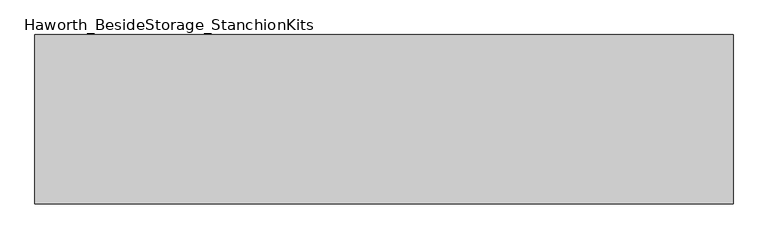
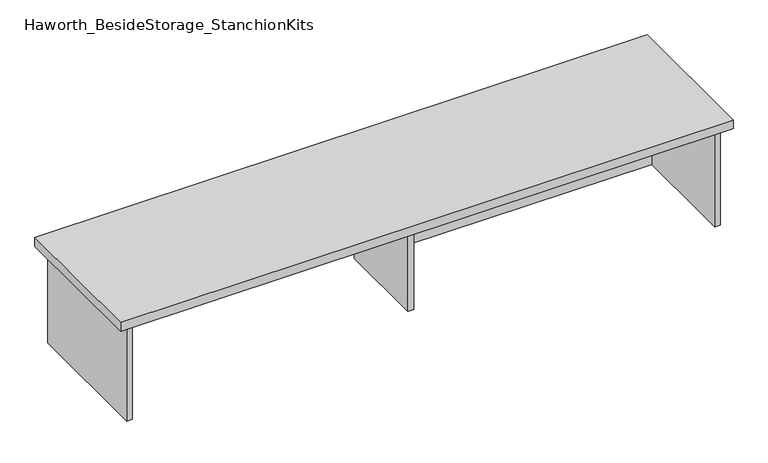
"""IFC4 building model written with IfcOpenShell, lengths in millimetres: furniture geometry, Haworth_BesideStorage_StanchionKits."""

import ifcopenshell
import ifcopenshell.guid

model = None  # the IFC model being written
_history = None  # IfcOwnerHistory: only IFC2X3 demands one
_inside = {}  # id of a spatial element -> (the spatial element, [elements in it])
_under = {}  # id of a project, library or spatial element -> (it, [spatial elements below it])
_declared = {}  # id of a project -> (the project, [libraries it declares])
_typed = {}  # id of a type object -> (the type object, [elements of that type])
_made_of = {}  # id of a material, layer set ... -> (it, [elements and type objects made of it])


def new_model(schema):
    """Start an empty IFC model of exactly this schema.

    Asked for "IFC4X3", IfcOpenShell would pick the latest addendum, in which some entities
    have other attributes; the version numbers below select the first issue.
    IFC2X3 requires an IfcOwnerHistory on every rooted entity: one is made here for all.
    """
    global model, _history
    if schema == "IFC4X3":
        model = ifcopenshell.file(schema_version=(4, 3, 0, 0))
    else:
        model = ifcopenshell.file(schema=schema)
    _inside.clear()
    _under.clear()
    _declared.clear()
    _typed.clear()
    _made_of.clear()
    _history = None
    if model.schema == "IFC2X3":
        org = make("IfcOrganization", Name="unknown")
        user = make(
            "IfcPersonAndOrganization",
            ThePerson=make("IfcPerson", FamilyName="unknown"),
            TheOrganization=org,
        )
        app = make(
            "IfcApplication",
            ApplicationDeveloper=org,
            Version="unknown",
            ApplicationFullName="unknown",
            ApplicationIdentifier="unknown",
        )
        _history = make(
            "IfcOwnerHistory",
            OwningUser=user,
            OwningApplication=app,
            ChangeAction="ADDED",
            CreationDate=0,
        )
    return model


def make(cls, **values):
    """One entity of the class cls with the attributes given. An attribute that is None is left unset."""
    return model.create_entity(
        cls, **{name: value for name, value in values.items() if value is not None}
    )


def rooted(cls, **values):
    """An entity with a GlobalId (a new one), such as an element, a storey or a relation."""
    return make(cls, GlobalId=ifcopenshell.guid.new(), OwnerHistory=_history, **values)


def si_unit(unit_type, name, prefix=None):
    """IfcSIUnit, for example si_unit("LENGTHUNIT", "METRE", prefix="MILLI")."""
    return make("IfcSIUnit", UnitType=unit_type, Prefix=prefix, Name=name)


def assignment(units):
    """IfcUnitAssignment: the units of a project."""
    return None if units is None else make("IfcUnitAssignment", Units=units)


def point(xyz):
    """IfcCartesianPoint."""
    return None if xyz is None else make("IfcCartesianPoint", Coordinates=xyz)


def direction(xyz):
    """IfcDirection."""
    return None if xyz is None else make("IfcDirection", DirectionRatios=xyz)


def frame(location, z_axis=None, x_axis=None):
    """IfcAxis2Placement3D, a coordinate frame: its origin and axes. An axis left out is left unset."""
    return make(
        "IfcAxis2Placement3D",
        Location=point(location),
        Axis=direction(z_axis),
        RefDirection=direction(x_axis),
    )


def origin():
    """The frame at (0, 0, 0) with its axes left unset."""
    return frame((0.0, 0.0, 0.0))


def place(relative_to, where):
    """IfcLocalPlacement: puts the frame where relative to a parent placement (None: the world)."""
    return make(
        "IfcLocalPlacement", PlacementRelTo=relative_to, RelativePlacement=where
    )


def context(
    kind, dimensions, precision=None, world=None, true_north=None, identifier=None
):
    """IfcGeometricRepresentationContext, for example the 3D "Model" context."""
    return make(
        "IfcGeometricRepresentationContext",
        ContextIdentifier=identifier,
        ContextType=kind,
        CoordinateSpaceDimension=dimensions,
        Precision=precision,
        WorldCoordinateSystem=world,
        TrueNorth=true_north,
    )


def project(units=None, contexts=None):
    """IfcProject with its units and contexts."""
    return rooted(
        "IfcProject",
        Name="project",
        RepresentationContexts=contexts,
        UnitsInContext=assignment(units),
    )


def spatial(cls, under=None, at=None, **own):
    """A site, building, storey or space (cls), placed at a placement, below another one or the project."""
    s = rooted(cls, ObjectPlacement=at, **own)
    if under is not None:
        _under.setdefault(under.id(), (under, []))[1].append(s)
    return s


def polyline(points):
    """IfcPolyline through the points."""
    return make("IfcPolyline", Points=[point(p) for p in points])


def outline(outer, holes=None, kind="AREA"):
    """IfcArbitraryClosedProfileDef: a profile drawn as a closed curve; with holes, ...WithVoids."""
    if holes is None:
        return make("IfcArbitraryClosedProfileDef", ProfileType=kind, OuterCurve=outer)
    return make(
        "IfcArbitraryProfileDefWithVoids",
        ProfileType=kind,
        OuterCurve=outer,
        InnerCurves=holes,
    )


def extrude(swept, where, along, depth):
    """IfcExtrudedAreaSolid: the profile swept, set in the frame where, extruded along a direction by depth."""
    return make(
        "IfcExtrudedAreaSolid",
        SweptArea=swept,
        Position=where,
        ExtrudedDirection=direction(along),
        Depth=depth,
    )


def shape(context_of_items, identifier, shape_type, items):
    """IfcShapeRepresentation: the items that make up one representation, for example the "Body"."""
    return make(
        "IfcShapeRepresentation",
        ContextOfItems=context_of_items,
        RepresentationIdentifier=identifier,
        RepresentationType=shape_type,
        Items=items,
    )


def source(mapping_origin, context_of_items, identifier, shape_type, items):
    """IfcRepresentationMap: a shape defined once, which mapped items show again and again."""
    return make(
        "IfcRepresentationMap",
        MappingOrigin=mapping_origin,
        MappedRepresentation=shape(context_of_items, identifier, shape_type, items),
    )


def transform(
    local_origin,
    x_axis=None,
    y_axis=None,
    z_axis=None,
    scale=None,
    scale2=None,
    scale3=None,
    uniform=True,
):
    """IfcCartesianTransformationOperator3D, or its non-uniform kind. x_axis, y_axis, z_axis: its Axis1, 2, 3."""
    if uniform:
        return make(
            "IfcCartesianTransformationOperator3D",
            Axis1=direction(x_axis),
            Axis2=direction(y_axis),
            LocalOrigin=point(local_origin),
            Scale=scale,
            Axis3=direction(z_axis),
        )
    return make(
        "IfcCartesianTransformationOperator3DnonUniform",
        Axis1=direction(x_axis),
        Axis2=direction(y_axis),
        LocalOrigin=point(local_origin),
        Scale=scale,
        Axis3=direction(z_axis),
        Scale2=scale2,
        Scale3=scale3,
    )


def mapped(mapping_source, mapping_target):
    """IfcMappedItem: shows the shape of a source again, moved by a transform."""
    return make(
        "IfcMappedItem", MappingSource=mapping_source, MappingTarget=mapping_target
    )


def made_of(thing, what):
    """Note that an element or type object is made of a material, layer set ...; save() writes the relation."""
    if what is not None:
        _made_of.setdefault(what.id(), (what, []))[1].append(thing)
    return thing


def element(
    cls,
    number,
    at=None,
    inside=None,
    cuts=None,
    type_object=None,
    material=None,
    context=None,
    identifier="Body",
    shape_type=None,
    held_by="IfcProductDefinitionShape",
    body=None,
    shapes=None,
    **own,
):
    """One element of the class cls, such as IfcWall. Its Tag is "e" and its number.

    at: its placement. inside: the storey or other place that contains it. cuts: it is an
    opening in that element (IfcRelVoidsElement). A single representation is given by context,
    identifier, shape_type and body (its items); several are given by shapes. held_by: the class
    of the entity that holds the representations. save() writes the other relations.
    """
    e = rooted(cls, Tag="e%d" % number, ObjectPlacement=at, **own)
    if body is not None:
        shapes = [shape(context, identifier, shape_type, body)]
    if shapes is not None:
        e.Representation = make(held_by, Representations=shapes)
    if inside is not None:
        _inside.setdefault(inside.id(), (inside, []))[1].append(e)
    if cuts is not None:
        rooted(
            "IfcRelVoidsElement", RelatingBuildingElement=cuts, RelatedOpeningElement=e
        )
    if type_object is not None:
        _typed.setdefault(type_object.id(), (type_object, []))[1].append(e)
    return made_of(e, material)


def aggregate(whole, parts):
    """IfcRelAggregates: a whole, such as a stair, and the parts it consists of."""
    return rooted("IfcRelAggregates", RelatingObject=whole, RelatedObjects=parts)


def save(model, path):
    """Write the relations noted so far, then the file.

    IfcRelAggregates (storeys below a building ...), IfcRelContainedInSpatialStructure (elements
    in a storey), IfcRelDefinesByType, IfcRelAssociatesMaterial and IfcRelDeclares: one each for
    every whole, place, type object, material and project.
    """
    for whole, parts in _under.values():
        aggregate(whole, parts)
    for where, things in _inside.values():
        rooted(
            "IfcRelContainedInSpatialStructure",
            RelatedElements=things,
            RelatingStructure=where,
        )
    for kind, things in _typed.values():
        rooted("IfcRelDefinesByType", RelatedObjects=things, RelatingType=kind)
    for what, things in _made_of.values():
        rooted("IfcRelAssociatesMaterial", RelatedObjects=things, RelatingMaterial=what)
    for by, libraries in _declared.values():
        rooted("IfcRelDeclares", RelatingContext=by, RelatedDefinitions=libraries)
    model.write(path)


def haworth_besidestorage_stanchionkits_d93eb028(model_context):
    return source(origin(), model_context, "Body", "SweptSolid", [
        extrude(outline(polyline([(1000.125, 0.0), (1000.125, -406.4), (-676.275, -406.4), (-676.275, 0.0), (1000.125, 0.0)])), frame((0.0, 0.0, 711.2), z_axis=(0.0, 0.0, 1.0), x_axis=(1.0, 0.0, 0.0)), (0.0, 0.0, 1.0), 25.4),
        extrude(outline(polyline([(169.8625, -76.2), (958.85, -76.2), (958.85, -92.075), (169.8625, -92.075), (169.8625, -76.2)])), frame((0.0, 0.0, 431.8), z_axis=(0.0, 0.0, 1.0), x_axis=(1.0, 0.0, 0.0)), (0.0, 0.0, 1.0), 279.4),
        extrude(outline(polyline([(169.8625, -330.2), (153.9875, -330.2), (153.9875, -76.2), (169.8625, -76.2), (169.8625, -330.2)])), frame((0.0, 0.0, 431.8), z_axis=(0.0, 0.0, 1.0), x_axis=(1.0, 0.0, 0.0)), (0.0, 0.0, 1.0), 279.4),
        extrude(outline(polyline([(974.725, -390.525), (958.85, -390.525), (958.85, -15.875), (974.725, -15.875), (974.725, -390.525)])), frame((0.0, 0.0, 431.8), z_axis=(0.0, 0.0, 1.0), x_axis=(1.0, 0.0, 0.0)), (0.0, 0.0, 1.0), 279.4),
        extrude(outline(polyline([(-635.0, -390.525), (-650.875, -390.525), (-650.875, -15.875), (-635.0, -15.875), (-635.0, -390.525)])), frame((0.0, 0.0, 431.8), z_axis=(0.0, 0.0, 1.0), x_axis=(1.0, 0.0, 0.0)), (0.0, 0.0, 1.0), 279.4),
    ])


if __name__ == "__main__":
    model = new_model("IFC4")
    model_context = context("Model", 3, world=origin())
    ifc_project = project(units=[si_unit("LENGTHUNIT", "METRE", prefix="MILLI")], contexts=[model_context])
    site = spatial("IfcSite", under=ifc_project)
    building = spatial("IfcBuilding", under=site)
    placement = place(None, origin())
    haworth_besidestorage_stanchionkits_shape = haworth_besidestorage_stanchionkits_d93eb028(model_context)
    element("IfcFurniture", 1, ObjectType="Haworth_BesideStorage_StanchionKits", at=placement, inside=building, context=model_context, shape_type="MappedRepresentation", body=[
        mapped(haworth_besidestorage_stanchionkits_shape, transform((0.0, 0.0, 0.0), x_axis=(1.0, 0.0, 0.0), y_axis=(0.0, 1.0, 0.0), z_axis=(0.0, 0.0, 1.0))),
    ])
    save(model, "model.ifc")
